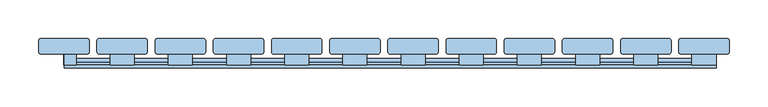
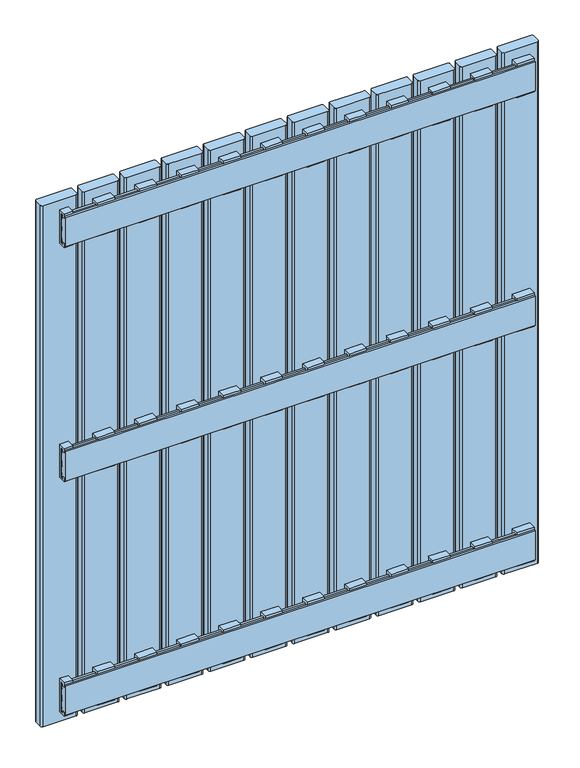
"""IFC4 building model written with IfcOpenShell, lengths in millimetres: window geometry."""

from ifc_helpers import new_model, si_unit, point, frame, frame_2d, origin, place, context, project, spatial, polyline, circle_curve, trimmed, segment, composite_curve, outline, extrude, source, transform, mapped, element, save


def window_25a59c17(model_context):
    return source(origin(), model_context, "Body", "SweptSolid", [
        extrude(outline(polyline([(54.1, 620.0936804), (49.9, 620.0936804), (49.9, 616.0936804), (46.1, 616.0936804), (46.1, 624.0), (60.0, 624.0), (60.0, 561.0), (46.1, 561.0), (46.1, 568.9063196), (49.9, 568.9063196), (49.9, 564.9063196), (54.1, 564.9063196), (54.1, 620.0936804)])), frame((284.5, 0.0, 0.0), z_axis=(1.0, 0.0, 0.0), x_axis=(0.0, 1.0, 0.0)), (0.0, 0.0, 1.0), 31.0),
        extrude(outline(polyline([(54.0, 1007.9063196), (54.0, 1063.0936804), (49.8, 1063.0936804), (49.8, 1059.0936804), (46.0, 1059.0936804), (46.0, 1067.0), (59.9, 1067.0), (59.9, 1004.0), (46.0, 1004.0), (46.0, 1011.9063196), (49.8, 1011.9063196), (49.8, 1007.9063196), (54.0, 1007.9063196)])), frame((284.5, 0.0, 0.0), z_axis=(1.0, 0.0, 0.0), x_axis=(0.0, 1.0, 0.0)), (0.0, 0.0, 1.0), 31.0),
        extrude(outline(polyline([(54.0, 177.0936804), (49.8, 177.0936804), (49.8, 173.0936804), (46.0, 173.0936804), (46.0, 181.0), (59.9, 181.0), (59.9, 118.0), (46.0, 118.0), (46.0, 125.9063196), (49.8, 125.9063196), (49.8, 121.9063196), (54.0, 121.9063196), (54.0, 177.0936804)])), frame((284.5, 0.0, 0.0), z_axis=(1.0, 0.0, 0.0), x_axis=(0.0, 1.0, 0.0)), (0.0, 0.0, 1.0), 31.0),
        extrude(outline(polyline([(54.1, 620.0936804), (49.9, 620.0936804), (49.9, 616.0936804), (46.1, 616.0936804), (46.1, 624.0), (60.0, 624.0), (60.0, 561.0), (46.1, 561.0), (46.1, 568.9063196), (49.9, 568.9063196), (49.9, 564.9063196), (54.1, 564.9063196), (54.1, 620.0936804)])), frame((209.5, 0.0, 0.0), z_axis=(1.0, 0.0, 0.0), x_axis=(0.0, 1.0, 0.0)), (0.0, 0.0, 1.0), 31.0),
        extrude(outline(polyline([(54.0, 1007.9063196), (54.0, 1063.0936804), (49.8, 1063.0936804), (49.8, 1059.0936804), (46.0, 1059.0936804), (46.0, 1067.0), (59.9, 1067.0), (59.9, 1004.0), (46.0, 1004.0), (46.0, 1011.9063196), (49.8, 1011.9063196), (49.8, 1007.9063196), (54.0, 1007.9063196)])), frame((209.5, 0.0, 0.0), z_axis=(1.0, 0.0, 0.0), x_axis=(0.0, 1.0, 0.0)), (0.0, 0.0, 1.0), 31.0),
        extrude(outline(polyline([(54.0, 177.0936804), (49.8, 177.0936804), (49.8, 173.0936804), (46.0, 173.0936804), (46.0, 181.0), (59.9, 181.0), (59.9, 118.0), (46.0, 118.0), (46.0, 125.9063196), (49.8, 125.9063196), (49.8, 121.9063196), (54.0, 121.9063196), (54.0, 177.0936804)])), frame((209.5, 0.0, 0.0), z_axis=(1.0, 0.0, 0.0), x_axis=(0.0, 1.0, 0.0)), (0.0, 0.0, 1.0), 31.0),
        extrude(outline(polyline([(54.1, 620.0936804), (49.9, 620.0936804), (49.9, 616.0936804), (46.1, 616.0936804), (46.1, 624.0), (60.0, 624.0), (60.0, 561.0), (46.1, 561.0), (46.1, 568.9063196), (49.9, 568.9063196), (49.9, 564.9063196), (54.1, 564.9063196), (54.1, 620.0936804)])), frame((134.5, 0.0, 0.0), z_axis=(1.0, 0.0, 0.0), x_axis=(0.0, 1.0, 0.0)), (0.0, 0.0, 1.0), 31.0),
        extrude(outline(polyline([(54.0, 1007.9063196), (54.0, 1063.0936804), (49.8, 1063.0936804), (49.8, 1059.0936804), (46.0, 1059.0936804), (46.0, 1067.0), (59.9, 1067.0), (59.9, 1004.0), (46.0, 1004.0), (46.0, 1011.9063196), (49.8, 1011.9063196), (49.8, 1007.9063196), (54.0, 1007.9063196)])), frame((134.5, 0.0, 0.0), z_axis=(1.0, 0.0, 0.0), x_axis=(0.0, 1.0, 0.0)), (0.0, 0.0, 1.0), 31.0),
        extrude(outline(polyline([(54.0, 177.0936804), (49.8, 177.0936804), (49.8, 173.0936804), (46.0, 173.0936804), (46.0, 181.0), (59.9, 181.0), (59.9, 118.0), (46.0, 118.0), (46.0, 125.9063196), (49.8, 125.9063196), (49.8, 121.9063196), (54.0, 121.9063196), (54.0, 177.0936804)])), frame((134.5, 0.0, 0.0), z_axis=(1.0, 0.0, 0.0), x_axis=(0.0, 1.0, 0.0)), (0.0, 0.0, 1.0), 31.0),
        extrude(outline(polyline([(54.1, 620.0936804), (49.9, 620.0936804), (49.9, 616.0936804), (46.1, 616.0936804), (46.1, 624.0), (60.0, 624.0), (60.0, 561.0), (46.1, 561.0), (46.1, 568.9063196), (49.9, 568.9063196), (49.9, 564.9063196), (54.1, 564.9063196), (54.1, 620.0936804)])), frame((59.5, 0.0, 0.0), z_axis=(1.0, 0.0, 0.0), x_axis=(0.0, 1.0, 0.0)), (0.0, 0.0, 1.0), 31.0),
        extrude(outline(polyline([(54.0, 1007.9063196), (54.0, 1063.0936804), (49.8, 1063.0936804), (49.8, 1059.0936804), (46.0, 1059.0936804), (46.0, 1067.0), (59.9, 1067.0), (59.9, 1004.0), (46.0, 1004.0), (46.0, 1011.9063196), (49.8, 1011.9063196), (49.8, 1007.9063196), (54.0, 1007.9063196)])), frame((59.5, 0.0, 0.0), z_axis=(1.0, 0.0, 0.0), x_axis=(0.0, 1.0, 0.0)), (0.0, 0.0, 1.0), 31.0),
        extrude(outline(polyline([(54.0, 177.0936804), (49.8, 177.0936804), (49.8, 173.0936804), (46.0, 173.0936804), (46.0, 181.0), (59.9, 181.0), (59.9, 118.0), (46.0, 118.0), (46.0, 125.9063196), (49.8, 125.9063196), (49.8, 121.9063196), (54.0, 121.9063196), (54.0, 177.0936804)])), frame((59.5, 0.0, 0.0), z_axis=(1.0, 0.0, 0.0), x_axis=(0.0, 1.0, 0.0)), (0.0, 0.0, 1.0), 31.0),
        extrude(outline(polyline([(54.1, 620.0936804), (49.9, 620.0936804), (49.9, 616.0936804), (46.1, 616.0936804), (46.1, 624.0), (60.0, 624.0), (60.0, 561.0), (46.1, 561.0), (46.1, 568.9063196), (49.9, 568.9063196), (49.9, 564.9063196), (54.1, 564.9063196), (54.1, 620.0936804)])), frame((-15.5, 0.0, 0.0), z_axis=(1.0, 0.0, 0.0), x_axis=(0.0, 1.0, 0.0)), (0.0, 0.0, 1.0), 31.0),
        extrude(outline(polyline([(54.0, 1007.9063196), (54.0, 1063.0936804), (49.8, 1063.0936804), (49.8, 1059.0936804), (46.0, 1059.0936804), (46.0, 1067.0), (59.9, 1067.0), (59.9, 1004.0), (46.0, 1004.0), (46.0, 1011.9063196), (49.8, 1011.9063196), (49.8, 1007.9063196), (54.0, 1007.9063196)])), frame((-15.5, 0.0, 0.0), z_axis=(1.0, 0.0, 0.0), x_axis=(0.0, 1.0, 0.0)), (0.0, 0.0, 1.0), 31.0),
        extrude(outline(polyline([(54.0, 177.0936804), (49.8, 177.0936804), (49.8, 173.0936804), (46.0, 173.0936804), (46.0, 181.0), (59.9, 181.0), (59.9, 118.0), (46.0, 118.0), (46.0, 125.9063196), (49.8, 125.9063196), (49.8, 121.9063196), (54.0, 121.9063196), (54.0, 177.0936804)])), frame((-15.5, 0.0, 0.0), z_axis=(1.0, 0.0, 0.0), x_axis=(0.0, 1.0, 0.0)), (0.0, 0.0, 1.0), 31.0),
        extrude(outline(polyline([(54.1, 620.0936804), (49.9, 620.0936804), (49.9, 616.0936804), (46.1, 616.0936804), (46.1, 624.0), (60.0, 624.0), (60.0, 561.0), (46.1, 561.0), (46.1, 568.9063196), (49.9, 568.9063196), (49.9, 564.9063196), (54.1, 564.9063196), (54.1, 620.0936804)])), frame((-90.5, 0.0, 0.0), z_axis=(1.0, 0.0, 0.0), x_axis=(0.0, 1.0, 0.0)), (0.0, 0.0, 1.0), 31.0),
        extrude(outline(polyline([(54.0, 1007.9063196), (54.0, 1063.0936804), (49.8, 1063.0936804), (49.8, 1059.0936804), (46.0, 1059.0936804), (46.0, 1067.0), (59.9, 1067.0), (59.9, 1004.0), (46.0, 1004.0), (46.0, 1011.9063196), (49.8, 1011.9063196), (49.8, 1007.9063196), (54.0, 1007.9063196)])), frame((-90.5, 0.0, 0.0), z_axis=(1.0, 0.0, 0.0), x_axis=(0.0, 1.0, 0.0)), (0.0, 0.0, 1.0), 31.0),
        extrude(outline(polyline([(54.0, 177.0936804), (49.8, 177.0936804), (49.8, 173.0936804), (46.0, 173.0936804), (46.0, 181.0), (59.9, 181.0), (59.9, 118.0), (46.0, 118.0), (46.0, 125.9063196), (49.8, 125.9063196), (49.8, 121.9063196), (54.0, 121.9063196), (54.0, 177.0936804)])), frame((-90.5, 0.0, 0.0), z_axis=(1.0, 0.0, 0.0), x_axis=(0.0, 1.0, 0.0)), (0.0, 0.0, 1.0), 31.0),
        extrude(outline(polyline([(54.1, 620.0936804), (49.9, 620.0936804), (49.9, 616.0936804), (46.1, 616.0936804), (46.1, 624.0), (60.0, 624.0), (60.0, 561.0), (46.1, 561.0), (46.1, 568.9063196), (49.9, 568.9063196), (49.9, 564.9063196), (54.1, 564.9063196), (54.1, 620.0936804)])), frame((-165.5, 0.0, 0.0), z_axis=(1.0, 0.0, 0.0), x_axis=(0.0, 1.0, 0.0)), (0.0, 0.0, 1.0), 31.0),
        extrude(outline(polyline([(54.0, 1007.9063196), (54.0, 1063.0936804), (49.8, 1063.0936804), (49.8, 1059.0936804), (46.0, 1059.0936804), (46.0, 1067.0), (59.9, 1067.0), (59.9, 1004.0), (46.0, 1004.0), (46.0, 1011.9063196), (49.8, 1011.9063196), (49.8, 1007.9063196), (54.0, 1007.9063196)])), frame((-165.5, 0.0, 0.0), z_axis=(1.0, 0.0, 0.0), x_axis=(0.0, 1.0, 0.0)), (0.0, 0.0, 1.0), 31.0),
        extrude(outline(polyline([(54.0, 177.0936804), (49.8, 177.0936804), (49.8, 173.0936804), (46.0, 173.0936804), (46.0, 181.0), (59.9, 181.0), (59.9, 118.0), (46.0, 118.0), (46.0, 125.9063196), (49.8, 125.9063196), (49.8, 121.9063196), (54.0, 121.9063196), (54.0, 177.0936804)])), frame((-165.5, 0.0, 0.0), z_axis=(1.0, 0.0, 0.0), x_axis=(0.0, 1.0, 0.0)), (0.0, 0.0, 1.0), 31.0),
        extrude(outline(polyline([(54.1, 620.0936804), (49.9, 620.0936804), (49.9, 616.0936804), (46.1, 616.0936804), (46.1, 624.0), (60.0, 624.0), (60.0, 561.0), (46.1, 561.0), (46.1, 568.9063196), (49.9, 568.9063196), (49.9, 564.9063196), (54.1, 564.9063196), (54.1, 620.0936804)])), frame((-240.5, 0.0, 0.0), z_axis=(1.0, 0.0, 0.0), x_axis=(0.0, 1.0, 0.0)), (0.0, 0.0, 1.0), 31.0),
        extrude(outline(polyline([(54.0, 1007.9063196), (54.0, 1063.0936804), (49.8, 1063.0936804), (49.8, 1059.0936804), (46.0, 1059.0936804), (46.0, 1067.0), (59.9, 1067.0), (59.9, 1004.0), (46.0, 1004.0), (46.0, 1011.9063196), (49.8, 1011.9063196), (49.8, 1007.9063196), (54.0, 1007.9063196)])), frame((-240.5, 0.0, 0.0), z_axis=(1.0, 0.0, 0.0), x_axis=(0.0, 1.0, 0.0)), (0.0, 0.0, 1.0), 31.0),
        extrude(outline(polyline([(54.0, 177.0936804), (49.8, 177.0936804), (49.8, 173.0936804), (46.0, 173.0936804), (46.0, 181.0), (59.9, 181.0), (59.9, 118.0), (46.0, 118.0), (46.0, 125.9063196), (49.8, 125.9063196), (49.8, 121.9063196), (54.0, 121.9063196), (54.0, 177.0936804)])), frame((-240.5, 0.0, 0.0), z_axis=(1.0, 0.0, 0.0), x_axis=(0.0, 1.0, 0.0)), (0.0, 0.0, 1.0), 31.0),
        extrude(outline(polyline([(54.1, 620.0936804), (49.9, 620.0936804), (49.9, 616.0936804), (46.1, 616.0936804), (46.1, 624.0), (60.0, 624.0), (60.0, 561.0), (46.1, 561.0), (46.1, 568.9063196), (49.9, 568.9063196), (49.9, 564.9063196), (54.1, 564.9063196), (54.1, 620.0936804)])), frame((-315.5, 0.0, 0.0), z_axis=(1.0, 0.0, 0.0), x_axis=(0.0, 1.0, 0.0)), (0.0, 0.0, 1.0), 31.0),
        extrude(outline(polyline([(54.0, 1007.9063196), (54.0, 1063.0936804), (49.8, 1063.0936804), (49.8, 1059.0936804), (46.0, 1059.0936804), (46.0, 1067.0), (59.9, 1067.0), (59.9, 1004.0), (46.0, 1004.0), (46.0, 1011.9063196), (49.8, 1011.9063196), (49.8, 1007.9063196), (54.0, 1007.9063196)])), frame((-315.5, 0.0, 0.0), z_axis=(1.0, 0.0, 0.0), x_axis=(0.0, 1.0, 0.0)), (0.0, 0.0, 1.0), 31.0),
        extrude(outline(polyline([(54.0, 177.0936804), (49.8, 177.0936804), (49.8, 173.0936804), (46.0, 173.0936804), (46.0, 181.0), (59.9, 181.0), (59.9, 118.0), (46.0, 118.0), (46.0, 125.9063196), (49.8, 125.9063196), (49.8, 121.9063196), (54.0, 121.9063196), (54.0, 177.0936804)])), frame((-315.5, 0.0, 0.0), z_axis=(1.0, 0.0, 0.0), x_axis=(0.0, 1.0, 0.0)), (0.0, 0.0, 1.0), 31.0),
        extrude(outline(polyline([(54.1, 620.0936804), (49.9, 620.0936804), (49.9, 616.0936804), (46.1, 616.0936804), (46.1, 624.0), (60.0, 624.0), (60.0, 561.0), (46.1, 561.0), (46.1, 568.9063196), (49.9, 568.9063196), (49.9, 564.9063196), (54.1, 564.9063196), (54.1, 620.0936804)])), frame((-390.5, 0.0, 0.0), z_axis=(1.0, 0.0, 0.0), x_axis=(0.0, 1.0, 0.0)), (0.0, 0.0, 1.0), 31.0),
        extrude(outline(polyline([(54.0, 1007.9063196), (54.0, 1063.0936804), (49.8, 1063.0936804), (49.8, 1059.0936804), (46.0, 1059.0936804), (46.0, 1067.0), (59.9, 1067.0), (59.9, 1004.0), (46.0, 1004.0), (46.0, 1011.9063196), (49.8, 1011.9063196), (49.8, 1007.9063196), (54.0, 1007.9063196)])), frame((-390.5, 0.0, 0.0), z_axis=(1.0, 0.0, 0.0), x_axis=(0.0, 1.0, 0.0)), (0.0, 0.0, 1.0), 31.0),
        extrude(outline(polyline([(54.0, 177.0936804), (49.8, 177.0936804), (49.8, 173.0936804), (46.0, 173.0936804), (46.0, 181.0), (59.9, 181.0), (59.9, 118.0), (46.0, 118.0), (46.0, 125.9063196), (49.8, 125.9063196), (49.8, 121.9063196), (54.0, 121.9063196), (54.0, 177.0936804)])), frame((-390.5, 0.0, 0.0), z_axis=(1.0, 0.0, 0.0), x_axis=(0.0, 1.0, 0.0)), (0.0, 0.0, 1.0), 31.0),
        extrude(outline(polyline([(54.1, 564.9063196), (54.1, 620.0936804), (49.9, 620.0936804), (49.9, 616.0936804), (46.1, 616.0936804), (46.1, 624.0), (60.0, 624.0), (60.0, 561.0), (46.1, 561.0), (46.1, 568.9063196), (49.9, 568.9063196), (49.9, 564.9063196), (54.1, 564.9063196)])), frame((359.5, 0.0, 0.0), z_axis=(1.0, 0.0, 0.0), x_axis=(0.0, 1.0, 0.0)), (0.0, 0.0, 1.0), 31.0),
        extrude(outline(polyline([(54.0, 1007.9063196), (54.0, 1063.0936804), (49.8, 1063.0936804), (49.8, 1059.0936804), (46.0, 1059.0936804), (46.0, 1067.0), (59.9, 1067.0), (59.9, 1004.0), (46.0, 1004.0), (46.0, 1011.9063196), (49.8, 1011.9063196), (49.8, 1007.9063196), (54.0, 1007.9063196)])), frame((359.5, 0.0, 0.0), z_axis=(1.0, 0.0, 0.0), x_axis=(0.0, 1.0, 0.0)), (0.0, 0.0, 1.0), 31.0),
        extrude(outline(polyline([(54.0, 177.0936804), (49.8, 177.0936804), (49.8, 173.0936804), (46.0, 173.0936804), (46.0, 181.0), (59.9, 181.0), (59.9, 118.0), (46.0, 118.0), (46.0, 125.9063196), (49.8, 125.9063196), (49.8, 121.9063196), (54.0, 121.9063196), (54.0, 177.0936804)])), frame((359.5, 0.0, 0.0), z_axis=(1.0, 0.0, 0.0), x_axis=(0.0, 1.0, 0.0)), (0.0, 0.0, 1.0), 31.0),
        extrude(outline(polyline([(54.1, 564.9063196), (54.1, 620.0936804), (49.9, 620.0936804), (49.9, 616.0936804), (46.1, 616.0936804), (46.1, 624.0), (60.0, 624.0), (60.0, 561.0), (46.1, 561.0), (46.1, 568.9063196), (49.9, 568.9063196), (49.9, 564.9063196), (54.1, 564.9063196)])), frame((-450.0378851, 0.0, 0.0), z_axis=(1.0, 0.0, 0.0), x_axis=(0.0, 1.0, 0.0)), (0.0, 0.0, 1.0), 15.5378851),
        extrude(outline(polyline([(54.0, 1007.9063196), (54.0, 1063.0936804), (49.8, 1063.0936804), (49.8, 1059.0936804), (46.0, 1059.0936804), (46.0, 1067.0), (59.9, 1067.0), (59.9, 1004.0), (46.0, 1004.0), (46.0, 1011.9063196), (49.8, 1011.9063196), (49.8, 1007.9063196), (54.0, 1007.9063196)])), frame((-450.0, 0.0, 0.0), z_axis=(1.0, 0.0, 0.0), x_axis=(0.0, 1.0, 0.0)), (0.0, 0.0, 1.0), 15.5),
        extrude(outline(polyline([(54.0, 177.0936804), (49.8, 177.0936804), (49.8, 173.0936804), (46.0, 173.0936804), (46.0, 181.0), (59.9, 181.0), (59.9, 118.0), (46.0, 118.0), (46.0, 125.9063196), (49.8, 125.9063196), (49.8, 121.9063196), (54.0, 121.9063196), (54.0, 177.0936804)])), frame((-450.0, 0.0, 0.0), z_axis=(1.0, 0.0, 0.0), x_axis=(0.0, 1.0, 0.0)), (0.0, 0.0, 1.0), 15.5),
        extrude(outline(polyline([(42.1, 620.0063196), (46.1, 620.0063196), (46.1, 616.0063196), (50.1, 616.0063196), (50.1, 620.0063196), (54.1, 620.0063196), (54.1, 615.0063196), (51.1, 615.0063196), (51.1, 610.0063196), (54.1, 610.0063196), (54.1, 597.5063196), (51.1, 597.5063196), (51.1, 587.5063196), (54.1, 587.5063196), (54.1, 575.0063196), (51.1, 575.0063196), (51.1, 570.0063196), (54.1, 570.0063196), (54.1, 565.0063196), (50.1, 565.0063196), (50.1, 569.0063196), (46.1, 569.0063196), (46.1, 565.0063196), (42.1, 565.0063196), (42.1, 620.0063196)])), frame((-450.0, 0.0, 0.0), z_axis=(1.0, 0.0, 0.0), x_axis=(0.0, 1.0, 0.0)), (0.0, 0.0, 1.0), 840.5),
        extrude(outline(polyline([(42.0, 1063.0), (46.0, 1063.0), (46.0, 1059.0), (50.0, 1059.0), (50.0, 1063.0), (54.0, 1063.0), (54.0, 1058.0), (51.0, 1058.0), (51.0, 1053.0), (54.0, 1053.0), (54.0, 1040.5), (51.0, 1040.5), (51.0, 1030.5), (54.0, 1030.5), (54.0, 1018.0), (51.0, 1018.0), (51.0, 1013.0), (54.0, 1013.0), (54.0, 1008.0), (50.0, 1008.0), (50.0, 1012.0), (46.0, 1012.0), (46.0, 1008.0), (42.0, 1008.0), (42.0, 1063.0)])), frame((-450.0, 0.0, 0.0), z_axis=(1.0, 0.0, 0.0), x_axis=(0.0, 1.0, 0.0)), (0.0, 0.0, 1.0), 840.5),
        extrude(outline(polyline([(42.0, 177.0), (46.0, 177.0), (46.0, 173.0), (50.0, 173.0), (50.0, 177.0), (54.0, 177.0), (54.0, 172.0), (51.0, 172.0), (51.0, 167.0), (54.0, 167.0), (54.0, 154.5), (51.0, 154.5), (51.0, 144.5), (54.0, 144.5), (54.0, 132.0), (51.0, 132.0), (51.0, 127.0), (54.0, 127.0), (54.0, 122.0), (50.0, 122.0), (50.0, 126.0), (46.0, 126.0), (46.0, 122.0), (42.0, 122.0), (42.0, 177.0)])), frame((-450.0, 0.0, 0.0), z_axis=(1.0, 0.0, 0.0), x_axis=(0.0, 1.0, 0.0)), (0.0, 0.0, 1.0), 840.5),
        extrude(outline(composite_curve([segment(polyline([(407.495806, 77.0), (407.495806, 63.0)]), True, "CONTINUOUS"), segment(trimmed(circle_curve(frame_2d((404.495806, 63.0)), 3.0), [point((407.495806, 63.0))], [point((404.495806, 60.0))], False, "CARTESIAN"), True, "CONTINUOUS"), segment(polyline([(404.495806, 60.0), (345.504194, 60.0)]), True, "CONTINUOUS"), segment(trimmed(circle_curve(frame_2d((345.504194, 63.0)), 3.0), [point((345.504194, 60.0))], [point((342.504194, 63.0))], False, "CARTESIAN"), True, "CONTINUOUS"), segment(polyline([(342.504194, 63.0), (342.504194, 77.0)]), True, "CONTINUOUS"), segment(trimmed(circle_curve(frame_2d((345.504194, 77.0)), 3.0), [point((342.504194, 77.0))], [point((345.504194, 80.0))], False, "CARTESIAN"), True, "CONTINUOUS"), segment(polyline([(345.504194, 80.0), (404.495806, 80.0)]), True, "CONTINUOUS"), segment(trimmed(circle_curve(frame_2d((404.495806, 77.0)), 3.0), [point((404.495806, 80.0))], [point((407.495806, 77.0))], False, "CARTESIAN"), True, "CONTINUOUS")], self_intersect=False)), frame((0.0, 0.0, 100.0), z_axis=(0.0, 0.0, 1.0), x_axis=(1.0, 0.0, 0.0)), (0.0, 0.0, 1.0), 985.0),
        extrude(outline(composite_curve([segment(polyline([(332.495806, 77.0), (332.495806, 63.0)]), True, "CONTINUOUS"), segment(trimmed(circle_curve(frame_2d((329.495806, 63.0)), 3.0), [point((332.495806, 63.0))], [point((329.495806, 60.0))], False, "CARTESIAN"), True, "CONTINUOUS"), segment(polyline([(329.495806, 60.0), (270.504194, 60.0)]), True, "CONTINUOUS"), segment(trimmed(circle_curve(frame_2d((270.504194, 63.0)), 3.0), [point((270.504194, 60.0))], [point((267.504194, 63.0))], False, "CARTESIAN"), True, "CONTINUOUS"), segment(polyline([(267.504194, 63.0), (267.504194, 77.0)]), True, "CONTINUOUS"), segment(trimmed(circle_curve(frame_2d((270.504194, 77.0)), 3.0), [point((267.504194, 77.0))], [point((270.504194, 80.0))], False, "CARTESIAN"), True, "CONTINUOUS"), segment(polyline([(270.504194, 80.0), (329.495806, 80.0)]), True, "CONTINUOUS"), segment(trimmed(circle_curve(frame_2d((329.495806, 77.0)), 3.0), [point((329.495806, 80.0))], [point((332.495806, 77.0))], False, "CARTESIAN"), True, "CONTINUOUS")], self_intersect=False)), frame((0.0, 0.0, 100.0), z_axis=(0.0, 0.0, 1.0), x_axis=(1.0, 0.0, 0.0)), (0.0, 0.0, 1.0), 985.0),
        extrude(outline(composite_curve([segment(polyline([(257.495806, 77.0), (257.495806, 63.0)]), True, "CONTINUOUS"), segment(trimmed(circle_curve(frame_2d((254.495806, 63.0)), 3.0), [point((257.495806, 63.0))], [point((254.495806, 60.0))], False, "CARTESIAN"), True, "CONTINUOUS"), segment(polyline([(254.495806, 60.0), (195.504194, 60.0)]), True, "CONTINUOUS"), segment(trimmed(circle_curve(frame_2d((195.504194, 63.0)), 3.0), [point((195.504194, 60.0))], [point((192.504194, 63.0))], False, "CARTESIAN"), True, "CONTINUOUS"), segment(polyline([(192.504194, 63.0), (192.504194, 77.0)]), True, "CONTINUOUS"), segment(trimmed(circle_curve(frame_2d((195.504194, 77.0)), 3.0), [point((192.504194, 77.0))], [point((195.504194, 80.0))], False, "CARTESIAN"), True, "CONTINUOUS"), segment(polyline([(195.504194, 80.0), (254.495806, 80.0)]), True, "CONTINUOUS"), segment(trimmed(circle_curve(frame_2d((254.495806, 77.0)), 3.0), [point((254.495806, 80.0))], [point((257.495806, 77.0))], False, "CARTESIAN"), True, "CONTINUOUS")], self_intersect=False)), frame((0.0, 0.0, 100.0), z_axis=(0.0, 0.0, 1.0), x_axis=(1.0, 0.0, 0.0)), (0.0, 0.0, 1.0), 985.0),
        extrude(outline(composite_curve([segment(polyline([(182.495806, 77.0), (182.495806, 63.0)]), True, "CONTINUOUS"), segment(trimmed(circle_curve(frame_2d((179.495806, 63.0)), 3.0), [point((182.495806, 63.0))], [point((179.495806, 60.0))], False, "CARTESIAN"), True, "CONTINUOUS"), segment(polyline([(179.495806, 60.0), (120.504194, 60.0)]), True, "CONTINUOUS"), segment(trimmed(circle_curve(frame_2d((120.504194, 63.0)), 3.0), [point((120.504194, 60.0))], [point((117.504194, 63.0))], False, "CARTESIAN"), True, "CONTINUOUS"), segment(polyline([(117.504194, 63.0), (117.504194, 77.0)]), True, "CONTINUOUS"), segment(trimmed(circle_curve(frame_2d((120.504194, 77.0)), 3.0), [point((117.504194, 77.0))], [point((120.504194, 80.0))], False, "CARTESIAN"), True, "CONTINUOUS"), segment(polyline([(120.504194, 80.0), (179.495806, 80.0)]), True, "CONTINUOUS"), segment(trimmed(circle_curve(frame_2d((179.495806, 77.0)), 3.0), [point((179.495806, 80.0))], [point((182.495806, 77.0))], False, "CARTESIAN"), True, "CONTINUOUS")], self_intersect=False)), frame((0.0, 0.0, 100.0), z_axis=(0.0, 0.0, 1.0), x_axis=(1.0, 0.0, 0.0)), (0.0, 0.0, 1.0), 985.0),
        extrude(outline(composite_curve([segment(polyline([(107.495806, 77.0), (107.495806, 63.0)]), True, "CONTINUOUS"), segment(trimmed(circle_curve(frame_2d((104.495806, 63.0)), 3.0), [point((107.495806, 63.0))], [point((104.495806, 60.0))], False, "CARTESIAN"), True, "CONTINUOUS"), segment(polyline([(104.495806, 60.0), (45.504194, 60.0)]), True, "CONTINUOUS"), segment(trimmed(circle_curve(frame_2d((45.504194, 63.0)), 3.0), [point((45.504194, 60.0))], [point((42.504194, 63.0))], False, "CARTESIAN"), True, "CONTINUOUS"), segment(polyline([(42.504194, 63.0), (42.504194, 77.0)]), True, "CONTINUOUS"), segment(trimmed(circle_curve(frame_2d((45.504194, 77.0)), 3.0), [point((42.504194, 77.0))], [point((45.504194, 80.0))], False, "CARTESIAN"), True, "CONTINUOUS"), segment(polyline([(45.504194, 80.0), (104.495806, 80.0)]), True, "CONTINUOUS"), segment(trimmed(circle_curve(frame_2d((104.495806, 77.0)), 3.0), [point((104.495806, 80.0))], [point((107.495806, 77.0))], False, "CARTESIAN"), True, "CONTINUOUS")], self_intersect=False)), frame((0.0, 0.0, 100.0), z_axis=(0.0, 0.0, 1.0), x_axis=(1.0, 0.0, 0.0)), (0.0, 0.0, 1.0), 985.0),
        extrude(outline(composite_curve([segment(polyline([(32.495806, 77.0), (32.495806, 63.0)]), True, "CONTINUOUS"), segment(trimmed(circle_curve(frame_2d((29.495806, 63.0)), 3.0), [point((32.495806, 63.0))], [point((29.495806, 60.0))], False, "CARTESIAN"), True, "CONTINUOUS"), segment(polyline([(29.495806, 60.0), (-29.495806, 60.0)]), True, "CONTINUOUS"), segment(trimmed(circle_curve(frame_2d((-29.495806, 63.0)), 3.0), [point((-29.495806, 60.0))], [point((-32.495806, 63.0))], False, "CARTESIAN"), True, "CONTINUOUS"), segment(polyline([(-32.495806, 63.0), (-32.495806, 77.0)]), True, "CONTINUOUS"), segment(trimmed(circle_curve(frame_2d((-29.495806, 77.0)), 3.0), [point((-32.495806, 77.0))], [point((-29.495806, 80.0))], False, "CARTESIAN"), True, "CONTINUOUS"), segment(polyline([(-29.495806, 80.0), (29.495806, 80.0)]), True, "CONTINUOUS"), segment(trimmed(circle_curve(frame_2d((29.495806, 77.0)), 3.0), [point((29.495806, 80.0))], [point((32.495806, 77.0))], False, "CARTESIAN"), True, "CONTINUOUS")], self_intersect=False)), frame((0.0, 0.0, 100.0), z_axis=(0.0, 0.0, 1.0), x_axis=(1.0, 0.0, 0.0)), (0.0, 0.0, 1.0), 985.0),
        extrude(outline(composite_curve([segment(polyline([(-42.504194, 77.0), (-42.504194, 63.0)]), True, "CONTINUOUS"), segment(trimmed(circle_curve(frame_2d((-45.504194, 63.0)), 3.0), [point((-42.504194, 63.0))], [point((-45.504194, 60.0))], False, "CARTESIAN"), True, "CONTINUOUS"), segment(polyline([(-45.504194, 60.0), (-104.495806, 60.0)]), True, "CONTINUOUS"), segment(trimmed(circle_curve(frame_2d((-104.495806, 63.0)), 3.0), [point((-104.495806, 60.0))], [point((-107.495806, 63.0))], False, "CARTESIAN"), True, "CONTINUOUS"), segment(polyline([(-107.495806, 63.0), (-107.495806, 77.0)]), True, "CONTINUOUS"), segment(trimmed(circle_curve(frame_2d((-104.495806, 77.0)), 3.0), [point((-107.495806, 77.0))], [point((-104.495806, 80.0))], False, "CARTESIAN"), True, "CONTINUOUS"), segment(polyline([(-104.495806, 80.0), (-45.504194, 80.0)]), True, "CONTINUOUS"), segment(trimmed(circle_curve(frame_2d((-45.504194, 77.0)), 3.0), [point((-45.504194, 80.0))], [point((-42.504194, 77.0))], False, "CARTESIAN"), True, "CONTINUOUS")], self_intersect=False)), frame((0.0, 0.0, 100.0), z_axis=(0.0, 0.0, 1.0), x_axis=(1.0, 0.0, 0.0)), (0.0, 0.0, 1.0), 985.0),
        extrude(outline(composite_curve([segment(polyline([(-117.504194, 77.0), (-117.504194, 63.0)]), True, "CONTINUOUS"), segment(trimmed(circle_curve(frame_2d((-120.504194, 63.0)), 3.0), [point((-117.504194, 63.0))], [point((-120.504194, 60.0))], False, "CARTESIAN"), True, "CONTINUOUS"), segment(polyline([(-120.504194, 60.0), (-179.495806, 60.0)]), True, "CONTINUOUS"), segment(trimmed(circle_curve(frame_2d((-179.495806, 63.0)), 3.0), [point((-179.495806, 60.0))], [point((-182.495806, 63.0))], False, "CARTESIAN"), True, "CONTINUOUS"), segment(polyline([(-182.495806, 63.0), (-182.495806, 77.0)]), True, "CONTINUOUS"), segment(trimmed(circle_curve(frame_2d((-179.495806, 77.0)), 3.0), [point((-182.495806, 77.0))], [point((-179.495806, 80.0))], False, "CARTESIAN"), True, "CONTINUOUS"), segment(polyline([(-179.495806, 80.0), (-120.504194, 80.0)]), True, "CONTINUOUS"), segment(trimmed(circle_curve(frame_2d((-120.504194, 77.0)), 3.0), [point((-120.504194, 80.0))], [point((-117.504194, 77.0))], False, "CARTESIAN"), True, "CONTINUOUS")], self_intersect=False)), frame((0.0, 0.0, 100.0), z_axis=(0.0, 0.0, 1.0), x_axis=(1.0, 0.0, 0.0)), (0.0, 0.0, 1.0), 985.0),
        extrude(outline(composite_curve([segment(polyline([(-192.504194, 77.0), (-192.504194, 63.0)]), True, "CONTINUOUS"), segment(trimmed(circle_curve(frame_2d((-195.504194, 63.0)), 3.0), [point((-192.504194, 63.0))], [point((-195.504194, 60.0))], False, "CARTESIAN"), True, "CONTINUOUS"), segment(polyline([(-195.504194, 60.0), (-254.495806, 60.0)]), True, "CONTINUOUS"), segment(trimmed(circle_curve(frame_2d((-254.495806, 63.0)), 3.0), [point((-254.495806, 60.0))], [point((-257.495806, 63.0))], False, "CARTESIAN"), True, "CONTINUOUS"), segment(polyline([(-257.495806, 63.0), (-257.495806, 77.0)]), True, "CONTINUOUS"), segment(trimmed(circle_curve(frame_2d((-254.495806, 77.0)), 3.0), [point((-257.495806, 77.0))], [point((-254.495806, 80.0))], False, "CARTESIAN"), True, "CONTINUOUS"), segment(polyline([(-254.495806, 80.0), (-195.504194, 80.0)]), True, "CONTINUOUS"), segment(trimmed(circle_curve(frame_2d((-195.504194, 77.0)), 3.0), [point((-195.504194, 80.0))], [point((-192.504194, 77.0))], False, "CARTESIAN"), True, "CONTINUOUS")], self_intersect=False)), frame((0.0, 0.0, 100.0), z_axis=(0.0, 0.0, 1.0), x_axis=(1.0, 0.0, 0.0)), (0.0, 0.0, 1.0), 985.0),
        extrude(outline(composite_curve([segment(polyline([(-267.504194, 77.0), (-267.504194, 63.0)]), True, "CONTINUOUS"), segment(trimmed(circle_curve(frame_2d((-270.504194, 63.0)), 3.0), [point((-267.504194, 63.0))], [point((-270.504194, 60.0))], False, "CARTESIAN"), True, "CONTINUOUS"), segment(polyline([(-270.504194, 60.0), (-329.495806, 60.0)]), True, "CONTINUOUS"), segment(trimmed(circle_curve(frame_2d((-329.495806, 63.0)), 3.0), [point((-329.495806, 60.0))], [point((-332.495806, 63.0))], False, "CARTESIAN"), True, "CONTINUOUS"), segment(polyline([(-332.495806, 63.0), (-332.495806, 77.0)]), True, "CONTINUOUS"), segment(trimmed(circle_curve(frame_2d((-329.495806, 77.0)), 3.0), [point((-332.495806, 77.0))], [point((-329.495806, 80.0))], False, "CARTESIAN"), True, "CONTINUOUS"), segment(polyline([(-329.495806, 80.0), (-270.504194, 80.0)]), True, "CONTINUOUS"), segment(trimmed(circle_curve(frame_2d((-270.504194, 77.0)), 3.0), [point((-270.504194, 80.0))], [point((-267.504194, 77.0))], False, "CARTESIAN"), True, "CONTINUOUS")], self_intersect=False)), frame((0.0, 0.0, 100.0), z_axis=(0.0, 0.0, 1.0), x_axis=(1.0, 0.0, 0.0)), (0.0, 0.0, 1.0), 985.0),
        extrude(outline(composite_curve([segment(polyline([(-342.504194, 77.0), (-342.504194, 63.0)]), True, "CONTINUOUS"), segment(trimmed(circle_curve(frame_2d((-345.504194, 63.0)), 3.0), [point((-342.504194, 63.0))], [point((-345.504194, 60.0))], False, "CARTESIAN"), True, "CONTINUOUS"), segment(polyline([(-345.504194, 60.0), (-404.495806, 60.0)]), True, "CONTINUOUS"), segment(trimmed(circle_curve(frame_2d((-404.495806, 63.0)), 3.0), [point((-404.495806, 60.0))], [point((-407.495806, 63.0))], False, "CARTESIAN"), True, "CONTINUOUS"), segment(polyline([(-407.495806, 63.0), (-407.495806, 77.0)]), True, "CONTINUOUS"), segment(trimmed(circle_curve(frame_2d((-404.495806, 77.0)), 3.0), [point((-407.495806, 77.0))], [point((-404.495806, 80.0))], False, "CARTESIAN"), True, "CONTINUOUS"), segment(polyline([(-404.495806, 80.0), (-345.504194, 80.0)]), True, "CONTINUOUS"), segment(trimmed(circle_curve(frame_2d((-345.504194, 77.0)), 3.0), [point((-345.504194, 80.0))], [point((-342.504194, 77.0))], False, "CARTESIAN"), True, "CONTINUOUS")], self_intersect=False)), frame((0.0, 0.0, 100.0), z_axis=(0.0, 0.0, 1.0), x_axis=(1.0, 0.0, 0.0)), (0.0, 0.0, 1.0), 985.0),
        extrude(outline(composite_curve([segment(polyline([(-417.5, 77.0), (-417.5, 63.0)]), True, "CONTINUOUS"), segment(trimmed(circle_curve(frame_2d((-420.5, 63.0)), 3.0), [point((-417.5, 63.0))], [point((-420.5, 60.0))], False, "CARTESIAN"), True, "CONTINUOUS"), segment(polyline([(-420.5, 60.0), (-479.5, 60.0)]), True, "CONTINUOUS"), segment(trimmed(circle_curve(frame_2d((-479.5, 63.0)), 3.0), [point((-479.5, 60.0))], [point((-482.5, 63.0))], False, "CARTESIAN"), True, "CONTINUOUS"), segment(polyline([(-482.5, 63.0), (-482.5, 77.0)]), True, "CONTINUOUS"), segment(trimmed(circle_curve(frame_2d((-479.5, 77.0)), 3.0), [point((-482.5, 77.0))], [point((-479.5, 80.0))], False, "CARTESIAN"), True, "CONTINUOUS"), segment(polyline([(-479.5, 80.0), (-420.5, 80.0)]), True, "CONTINUOUS"), segment(trimmed(circle_curve(frame_2d((-420.5, 77.0)), 3.0), [point((-420.5, 80.0))], [point((-417.5, 77.0))], False, "CARTESIAN"), True, "CONTINUOUS")], self_intersect=False)), frame((0.0, 0.0, 100.0), z_axis=(0.0, 0.0, 1.0), x_axis=(1.0, 0.0, 0.0)), (0.0, 0.0, 1.0), 985.0),
    ])


if __name__ == "__main__":
    model = new_model("IFC4")
    model_context = context("Model", 3, world=origin())
    ifc_project = project(units=[si_unit("LENGTHUNIT", "METRE", prefix="MILLI")], contexts=[model_context])
    site = spatial("IfcSite", under=ifc_project)
    building = spatial("IfcBuilding", under=site)
    placement = place(None, origin())
    window_shape = window_25a59c17(model_context)
    element("IfcWindow", 1, at=placement, inside=building, context=model_context, shape_type="MappedRepresentation", body=[
        mapped(window_shape, transform((0.0, 0.0, 0.0), x_axis=(1.0, 0.0, 0.0), y_axis=(0.0, 1.0, 0.0), z_axis=(0.0, 0.0, 1.0))),
    ])
    save(model, "model.ifc")
